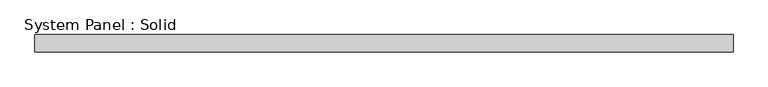
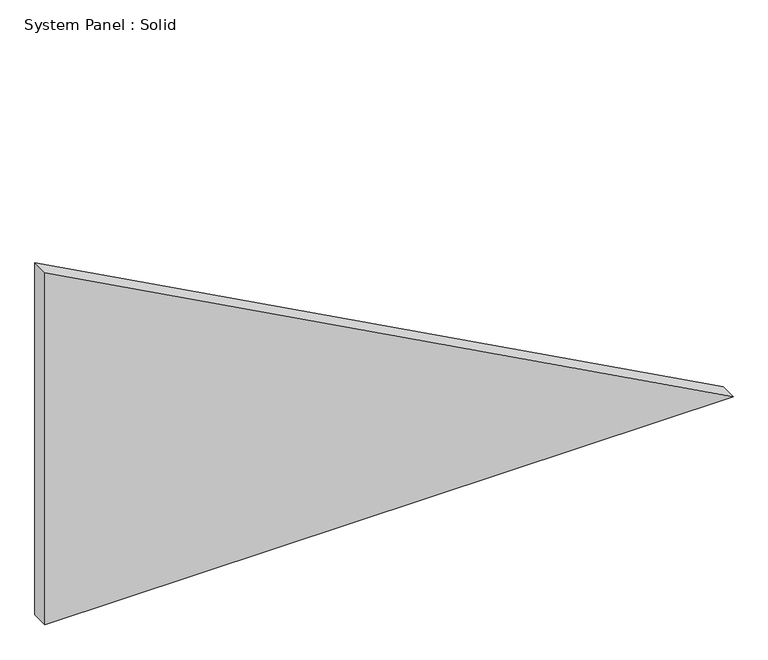
"""IFC4 building model written with IfcOpenShell, lengths in millimetres: plate geometry, System Panel : Solid."""

from ifc_helpers import new_model, si_unit, frame, origin, place, context, project, spatial, polyline, outline, extrude, source, transform, mapped, element, save


def system_panel_solid_08f309f4(model_context):
    return source(origin(), model_context, "Body", "SweptSolid", [
        extrude(outline(polyline([(0.0, -1212.0500176), (0.0, 1212.0500176), (1310.5278326, -1212.0500176), (0.0, -1212.0500176)])), frame((0.0, -10.5, 0.0), z_axis=(0.0, 1.0, 0.0), x_axis=(0.0, 0.0, 1.0)), (0.0, 0.0, 1.0), 60.0),
    ])


if __name__ == "__main__":
    model = new_model("IFC4")
    model_context = context("Model", 3, world=origin())
    ifc_project = project(units=[si_unit("LENGTHUNIT", "METRE", prefix="MILLI")], contexts=[model_context])
    site = spatial("IfcSite", under=ifc_project)
    building = spatial("IfcBuilding", under=site)
    placement = place(None, origin())
    system_panel_solid_shape = system_panel_solid_08f309f4(model_context)
    element("IfcPlate", 1, ObjectType="System Panel : Solid", at=placement, inside=building, context=model_context, shape_type="MappedRepresentation", body=[
        mapped(system_panel_solid_shape, transform((0.0, 0.0, 0.0), x_axis=(1.0, 0.0, 0.0), y_axis=(0.0, 1.0, 0.0), z_axis=(0.0, 0.0, 1.0))),
    ])
    save(model, "model.ifc")
